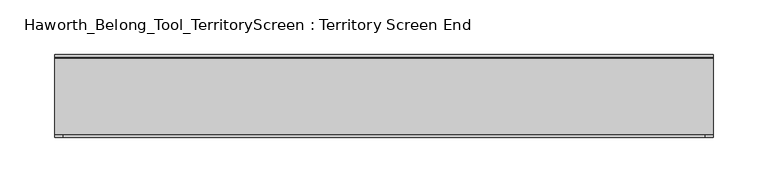
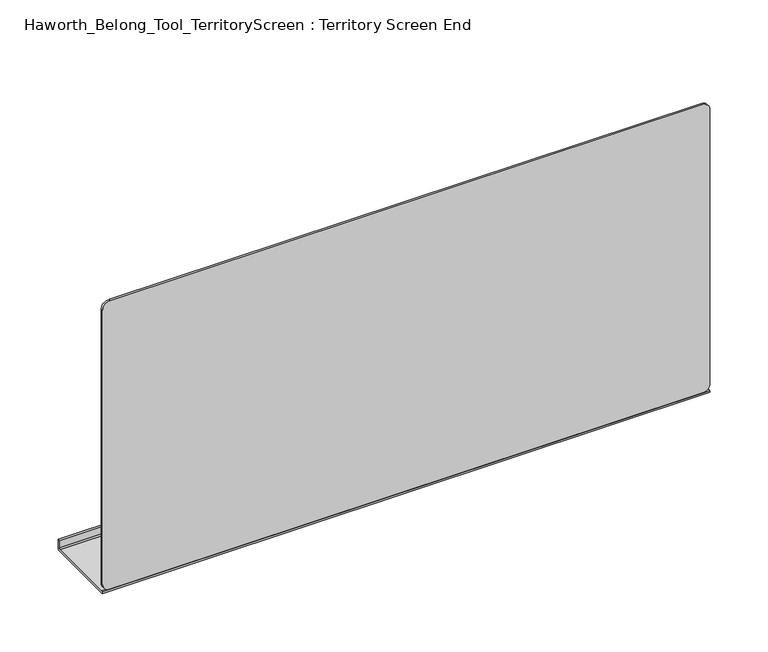
"""IFC4 building model written with IfcOpenShell, lengths in millimetres: furniture geometry, Haworth_Belong_Tool_TerritoryScreen : Territory Screen End."""

from ifc_helpers import new_model, si_unit, point, frame, frame_2d, origin, place, context, project, spatial, polyline, circle_curve, trimmed, segment, composite_curve, outline, extrude, source, transform, mapped, element, save


def haworth_belong_tool_territoryscreen_territory_screen_end_0439b783(model_context):
    return source(origin(), model_context, "Body", "SweptSolid", [
        extrude(outline(composite_curve([segment(polyline([(-1.0914062, 736.6), (-1.0914062, 738.5173174), (1.0914062, 738.5173174), (71.3009343, 738.5173174)]), True, "CONTINUOUS"), segment(trimmed(circle_curve(frame_2d((71.3009343, 740.1048174)), 1.5875), [point((71.3009343, 738.5173174))], [point((72.8884343, 740.1048174))], True, "CARTESIAN"), True, "CONTINUOUS"), segment(polyline([(72.8884343, 740.1048174), (72.8884343, 747.4073175), (75.0474368, 747.4073175), (75.0474368, 738.1875)]), True, "CONTINUOUS"), segment(trimmed(circle_curve(frame_2d((73.4599368, 738.1875)), 1.5875), [point((75.0474368, 738.1875))], [point((73.4599368, 736.6))], False, "CARTESIAN"), True, "CONTINUOUS"), segment(polyline([(73.4599368, 736.6), (-1.0914062, 736.6)]), True, "CONTINUOUS")], self_intersect=False)), frame((-334.2895436, 0.0, 0.0), z_axis=(1.0, 0.0, 0.0), x_axis=(0.0, 1.0, 0.0)), (0.0, 0.0, 1.0), 603.25),
        extrude(outline(composite_curve([segment(polyline([(1041.4, 261.0229564), (1041.4, -326.3520436)]), True, "CONTINUOUS"), segment(trimmed(circle_curve(frame_2d((1033.4625, -326.3520436)), 7.9375), [point((1041.4, -326.3520436))], [point((1033.4625, -334.2895436))], False, "CARTESIAN"), True, "CONTINUOUS"), segment(polyline([(1033.4625, -334.2895436), (746.4548174, -334.2895436)]), True, "CONTINUOUS"), segment(trimmed(circle_curve(frame_2d((746.4548174, -326.3520436)), 7.9375), [point((746.4548174, -334.2895436))], [point((738.5173174, -326.3520436))], False, "CARTESIAN"), True, "CONTINUOUS"), segment(polyline([(738.5173174, -326.3520436), (738.5173174, 261.0229564)]), True, "CONTINUOUS"), segment(trimmed(circle_curve(frame_2d((746.4548174, 261.0229564)), 7.9375), [point((738.5173174, 261.0229564))], [point((746.4548174, 268.9604564))], False, "CARTESIAN"), True, "CONTINUOUS"), segment(polyline([(746.4548174, 268.9604564), (1033.4625, 268.9604564)]), True, "CONTINUOUS"), segment(trimmed(circle_curve(frame_2d((1033.4625, 261.0229564)), 7.9375), [point((1033.4625, 268.9604564))], [point((1041.4, 261.0229564))], False, "CARTESIAN"), True, "CONTINUOUS")], self_intersect=False)), frame((0.0, -1.0914063, 0.0), z_axis=(0.0, 1.0, 0.0), x_axis=(0.0, 0.0, 1.0)), (0.0, 0.0, 1.0), 2.1828125),
    ])


if __name__ == "__main__":
    model = new_model("IFC4")
    model_context = context("Model", 3, world=origin())
    ifc_project = project(units=[si_unit("LENGTHUNIT", "METRE", prefix="MILLI")], contexts=[model_context])
    site = spatial("IfcSite", under=ifc_project)
    building = spatial("IfcBuilding", under=site)
    placement = place(None, origin())
    haworth_belong_tool_territoryscreen_territory_screen_end_shape = haworth_belong_tool_territoryscreen_territory_screen_end_0439b783(model_context)
    element("IfcFurniture", 1, ObjectType="Haworth_Belong_Tool_TerritoryScreen : Territory Screen End", at=placement, inside=building, context=model_context, shape_type="MappedRepresentation", body=[
        mapped(haworth_belong_tool_territoryscreen_territory_screen_end_shape, transform((0.0, 0.0, 0.0), x_axis=(1.0, 0.0, 0.0), y_axis=(0.0, 1.0, 0.0), z_axis=(0.0, 0.0, 1.0))),
    ])
    save(model, "model.ifc")
